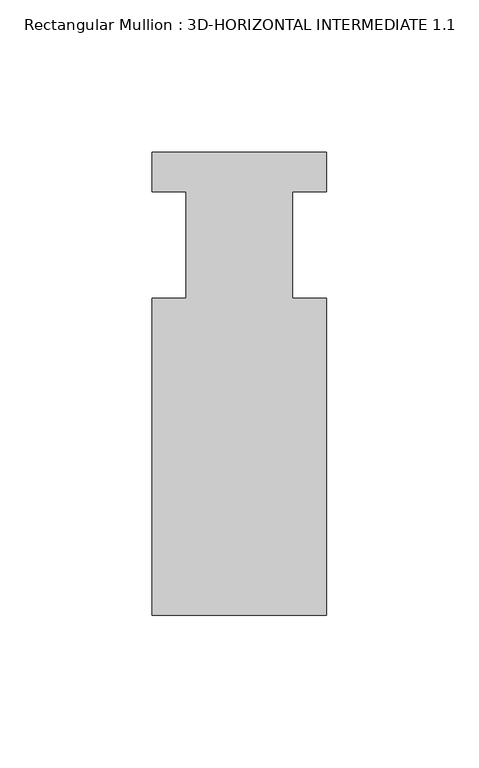
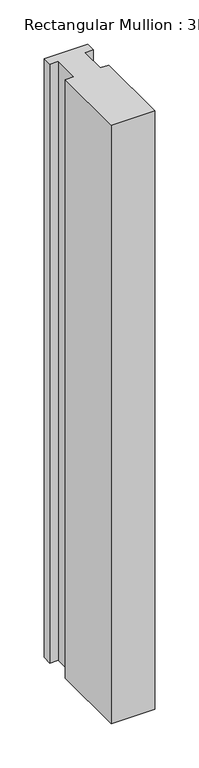
"""IFC4 building model written with IfcOpenShell, lengths in millimetres: member geometry, Rectangular Mullion : 3D-HORIZONTAL INTERMEDIATE 1.1."""

import ifcopenshell
import ifcopenshell.guid

model = None  # the IFC model being written
_history = None  # IfcOwnerHistory: only IFC2X3 demands one
_inside = {}  # id of a spatial element -> (the spatial element, [elements in it])
_under = {}  # id of a project, library or spatial element -> (it, [spatial elements below it])
_declared = {}  # id of a project -> (the project, [libraries it declares])
_typed = {}  # id of a type object -> (the type object, [elements of that type])
_made_of = {}  # id of a material, layer set ... -> (it, [elements and type objects made of it])


def new_model(schema):
    """Start an empty IFC model of exactly this schema.

    Asked for "IFC4X3", IfcOpenShell would pick the latest addendum, in which some entities
    have other attributes; the version numbers below select the first issue.
    IFC2X3 requires an IfcOwnerHistory on every rooted entity: one is made here for all.
    """
    global model, _history
    if schema == "IFC4X3":
        model = ifcopenshell.file(schema_version=(4, 3, 0, 0))
    else:
        model = ifcopenshell.file(schema=schema)
    _inside.clear()
    _under.clear()
    _declared.clear()
    _typed.clear()
    _made_of.clear()
    _history = None
    if model.schema == "IFC2X3":
        org = make("IfcOrganization", Name="unknown")
        user = make(
            "IfcPersonAndOrganization",
            ThePerson=make("IfcPerson", FamilyName="unknown"),
            TheOrganization=org,
        )
        app = make(
            "IfcApplication",
            ApplicationDeveloper=org,
            Version="unknown",
            ApplicationFullName="unknown",
            ApplicationIdentifier="unknown",
        )
        _history = make(
            "IfcOwnerHistory",
            OwningUser=user,
            OwningApplication=app,
            ChangeAction="ADDED",
            CreationDate=0,
        )
    return model


def make(cls, **values):
    """One entity of the class cls with the attributes given. An attribute that is None is left unset."""
    return model.create_entity(
        cls, **{name: value for name, value in values.items() if value is not None}
    )


def rooted(cls, **values):
    """An entity with a GlobalId (a new one), such as an element, a storey or a relation."""
    return make(cls, GlobalId=ifcopenshell.guid.new(), OwnerHistory=_history, **values)


def si_unit(unit_type, name, prefix=None):
    """IfcSIUnit, for example si_unit("LENGTHUNIT", "METRE", prefix="MILLI")."""
    return make("IfcSIUnit", UnitType=unit_type, Prefix=prefix, Name=name)


def assignment(units):
    """IfcUnitAssignment: the units of a project."""
    return None if units is None else make("IfcUnitAssignment", Units=units)


def point(xyz):
    """IfcCartesianPoint."""
    return None if xyz is None else make("IfcCartesianPoint", Coordinates=xyz)


def direction(xyz):
    """IfcDirection."""
    return None if xyz is None else make("IfcDirection", DirectionRatios=xyz)


def frame(location, z_axis=None, x_axis=None):
    """IfcAxis2Placement3D, a coordinate frame: its origin and axes. An axis left out is left unset."""
    return make(
        "IfcAxis2Placement3D",
        Location=point(location),
        Axis=direction(z_axis),
        RefDirection=direction(x_axis),
    )


def origin():
    """The frame at (0, 0, 0) with its axes left unset."""
    return frame((0.0, 0.0, 0.0))


def place(relative_to, where):
    """IfcLocalPlacement: puts the frame where relative to a parent placement (None: the world)."""
    return make(
        "IfcLocalPlacement", PlacementRelTo=relative_to, RelativePlacement=where
    )


def context(
    kind, dimensions, precision=None, world=None, true_north=None, identifier=None
):
    """IfcGeometricRepresentationContext, for example the 3D "Model" context."""
    return make(
        "IfcGeometricRepresentationContext",
        ContextIdentifier=identifier,
        ContextType=kind,
        CoordinateSpaceDimension=dimensions,
        Precision=precision,
        WorldCoordinateSystem=world,
        TrueNorth=true_north,
    )


def project(units=None, contexts=None):
    """IfcProject with its units and contexts."""
    return rooted(
        "IfcProject",
        Name="project",
        RepresentationContexts=contexts,
        UnitsInContext=assignment(units),
    )


def spatial(cls, under=None, at=None, **own):
    """A site, building, storey or space (cls), placed at a placement, below another one or the project."""
    s = rooted(cls, ObjectPlacement=at, **own)
    if under is not None:
        _under.setdefault(under.id(), (under, []))[1].append(s)
    return s


def polyline(points):
    """IfcPolyline through the points."""
    return make("IfcPolyline", Points=[point(p) for p in points])


def outline(outer, holes=None, kind="AREA"):
    """IfcArbitraryClosedProfileDef: a profile drawn as a closed curve; with holes, ...WithVoids."""
    if holes is None:
        return make("IfcArbitraryClosedProfileDef", ProfileType=kind, OuterCurve=outer)
    return make(
        "IfcArbitraryProfileDefWithVoids",
        ProfileType=kind,
        OuterCurve=outer,
        InnerCurves=holes,
    )


def extrude(swept, where, along, depth):
    """IfcExtrudedAreaSolid: the profile swept, set in the frame where, extruded along a direction by depth."""
    return make(
        "IfcExtrudedAreaSolid",
        SweptArea=swept,
        Position=where,
        ExtrudedDirection=direction(along),
        Depth=depth,
    )


def shape(context_of_items, identifier, shape_type, items):
    """IfcShapeRepresentation: the items that make up one representation, for example the "Body"."""
    return make(
        "IfcShapeRepresentation",
        ContextOfItems=context_of_items,
        RepresentationIdentifier=identifier,
        RepresentationType=shape_type,
        Items=items,
    )


def source(mapping_origin, context_of_items, identifier, shape_type, items):
    """IfcRepresentationMap: a shape defined once, which mapped items show again and again."""
    return make(
        "IfcRepresentationMap",
        MappingOrigin=mapping_origin,
        MappedRepresentation=shape(context_of_items, identifier, shape_type, items),
    )


def transform(
    local_origin,
    x_axis=None,
    y_axis=None,
    z_axis=None,
    scale=None,
    scale2=None,
    scale3=None,
    uniform=True,
):
    """IfcCartesianTransformationOperator3D, or its non-uniform kind. x_axis, y_axis, z_axis: its Axis1, 2, 3."""
    if uniform:
        return make(
            "IfcCartesianTransformationOperator3D",
            Axis1=direction(x_axis),
            Axis2=direction(y_axis),
            LocalOrigin=point(local_origin),
            Scale=scale,
            Axis3=direction(z_axis),
        )
    return make(
        "IfcCartesianTransformationOperator3DnonUniform",
        Axis1=direction(x_axis),
        Axis2=direction(y_axis),
        LocalOrigin=point(local_origin),
        Scale=scale,
        Axis3=direction(z_axis),
        Scale2=scale2,
        Scale3=scale3,
    )


def mapped(mapping_source, mapping_target):
    """IfcMappedItem: shows the shape of a source again, moved by a transform."""
    return make(
        "IfcMappedItem", MappingSource=mapping_source, MappingTarget=mapping_target
    )


def made_of(thing, what):
    """Note that an element or type object is made of a material, layer set ...; save() writes the relation."""
    if what is not None:
        _made_of.setdefault(what.id(), (what, []))[1].append(thing)
    return thing


def element(
    cls,
    number,
    at=None,
    inside=None,
    cuts=None,
    type_object=None,
    material=None,
    context=None,
    identifier="Body",
    shape_type=None,
    held_by="IfcProductDefinitionShape",
    body=None,
    shapes=None,
    **own,
):
    """One element of the class cls, such as IfcWall. Its Tag is "e" and its number.

    at: its placement. inside: the storey or other place that contains it. cuts: it is an
    opening in that element (IfcRelVoidsElement). A single representation is given by context,
    identifier, shape_type and body (its items); several are given by shapes. held_by: the class
    of the entity that holds the representations. save() writes the other relations.
    """
    e = rooted(cls, Tag="e%d" % number, ObjectPlacement=at, **own)
    if body is not None:
        shapes = [shape(context, identifier, shape_type, body)]
    if shapes is not None:
        e.Representation = make(held_by, Representations=shapes)
    if inside is not None:
        _inside.setdefault(inside.id(), (inside, []))[1].append(e)
    if cuts is not None:
        rooted(
            "IfcRelVoidsElement", RelatingBuildingElement=cuts, RelatedOpeningElement=e
        )
    if type_object is not None:
        _typed.setdefault(type_object.id(), (type_object, []))[1].append(e)
    return made_of(e, material)


def aggregate(whole, parts):
    """IfcRelAggregates: a whole, such as a stair, and the parts it consists of."""
    return rooted("IfcRelAggregates", RelatingObject=whole, RelatedObjects=parts)


def save(model, path):
    """Write the relations noted so far, then the file.

    IfcRelAggregates (storeys below a building ...), IfcRelContainedInSpatialStructure (elements
    in a storey), IfcRelDefinesByType, IfcRelAssociatesMaterial and IfcRelDeclares: one each for
    every whole, place, type object, material and project.
    """
    for whole, parts in _under.values():
        aggregate(whole, parts)
    for where, things in _inside.values():
        rooted(
            "IfcRelContainedInSpatialStructure",
            RelatedElements=things,
            RelatingStructure=where,
        )
    for kind, things in _typed.values():
        rooted("IfcRelDefinesByType", RelatedObjects=things, RelatingType=kind)
    for what, things in _made_of.values():
        rooted("IfcRelAssociatesMaterial", RelatedObjects=things, RelatingMaterial=what)
    for by, libraries in _declared.values():
        rooted("IfcRelDeclares", RelatingContext=by, RelatedDefinitions=libraries)
    model.write(path)


def rectangular_mullion_3d_horizontal_intermediate_1_1_45004597(model_context):
    return source(origin(), model_context, "Body", "SweptSolid", [
        extrude(outline(polyline([(28.575, 6.78815), (28.575, -6.0791383), (17.4625, -6.0791383), (17.4625, -41.04005), (28.575, -41.04005), (28.575, -144.90065), (-28.575, -144.90065), (-28.575, -41.04005), (-17.4625, -41.04005), (-17.4625, -6.0791383), (-28.575, -6.0791383), (-28.575, 6.78815), (28.575, 6.78815)])), frame((0.0, 0.0, -828.675), z_axis=(0.0, 0.0, 1.0), x_axis=(1.0, 0.0, 0.0)), (0.0, 0.0, 1.0), 828.675),
    ])


if __name__ == "__main__":
    model = new_model("IFC4")
    model_context = context("Model", 3, world=origin())
    ifc_project = project(units=[si_unit("LENGTHUNIT", "METRE", prefix="MILLI")], contexts=[model_context])
    site = spatial("IfcSite", under=ifc_project)
    building = spatial("IfcBuilding", under=site)
    placement = place(None, origin())
    rectangular_mullion_3d_horizontal_intermediate_1_1_shape = rectangular_mullion_3d_horizontal_intermediate_1_1_45004597(model_context)
    element("IfcMember", 1, ObjectType="Rectangular Mullion : 3D-HORIZONTAL INTERMEDIATE 1.1", at=placement, inside=building, context=model_context, shape_type="MappedRepresentation", body=[
        mapped(rectangular_mullion_3d_horizontal_intermediate_1_1_shape, transform((0.0, 0.0, 0.0), x_axis=(1.0, 0.0, 0.0), y_axis=(0.0, 1.0, 0.0), z_axis=(0.0, 0.0, 1.0))),
    ])
    save(model, "model.ifc")
